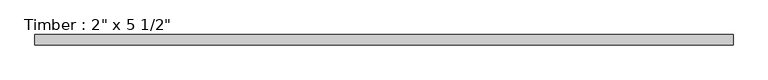
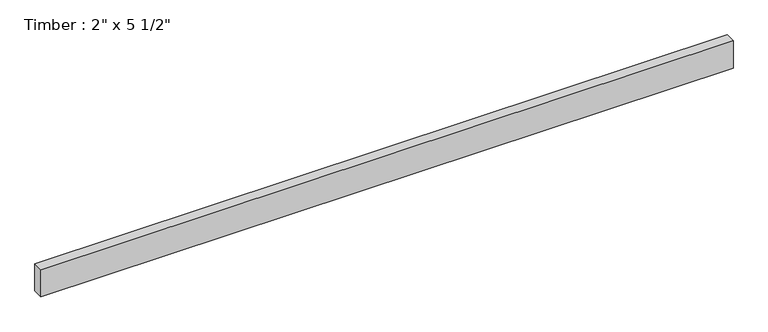
"""IFC4 building model written with IfcOpenShell, lengths in millimetres: beam geometry."""

from ifc_helpers import new_model, si_unit, frame, origin, place, context, project, spatial, polyline, outline, extrude, source, transform, mapped, element, save


def beam_d44a3462(model_context):
    return source(origin(), model_context, "Body", "SweptSolid", [
        extrude(outline(polyline([(1675.5798035, 25.4), (1675.5798035, -25.4), (-1675.5798041, -25.4), (-1675.5798041, 25.4), (1675.5798035, 25.4)])), frame((0.0, 0.0, -69.85), z_axis=(0.0, 0.0, 1.0), x_axis=(1.0, 0.0, 0.0)), (0.0, 0.0, 1.0), 139.7),
    ])


if __name__ == "__main__":
    model = new_model("IFC4")
    model_context = context("Model", 3, world=origin())
    ifc_project = project(units=[si_unit("LENGTHUNIT", "METRE", prefix="MILLI")], contexts=[model_context])
    site = spatial("IfcSite", under=ifc_project)
    building = spatial("IfcBuilding", under=site)
    placement = place(None, origin())
    beam_shape = beam_d44a3462(model_context)
    element("IfcBeam", 1, ObjectType="Timber : 2\" x 5 1/2\"", at=placement, inside=building, context=model_context, shape_type="MappedRepresentation", body=[
        mapped(beam_shape, transform((0.0, 0.0, 0.0), x_axis=(1.0, 0.0, 0.0), y_axis=(0.0, 1.0, 0.0), z_axis=(0.0, 0.0, 1.0))),
    ])
    save(model, "model.ifc")
